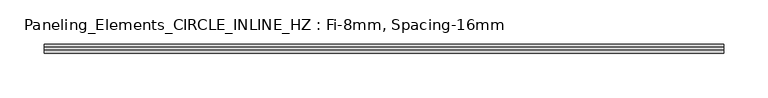
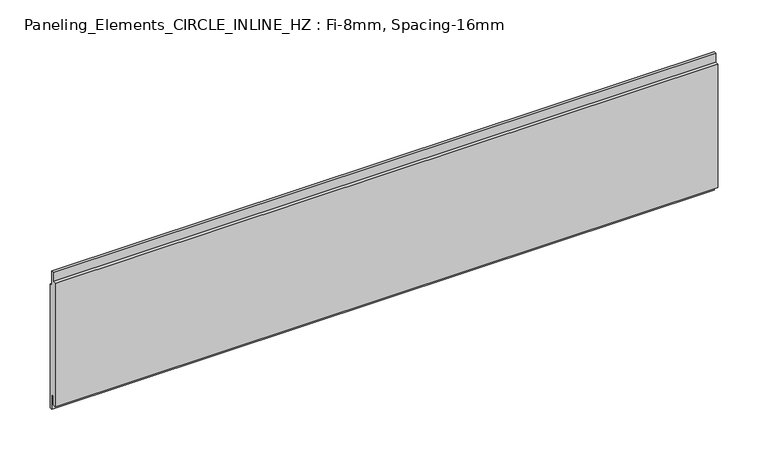
"""IFC4 building model written with IfcOpenShell, lengths in millimetres: plate geometry, Paneling_Elements_CIRCLE_INLINE_HZ : Fi-8mm, Spacing-16mm."""

import ifcopenshell
import ifcopenshell.guid

model = None  # the IFC model being written
_history = None  # IfcOwnerHistory: only IFC2X3 demands one
_inside = {}  # id of a spatial element -> (the spatial element, [elements in it])
_under = {}  # id of a project, library or spatial element -> (it, [spatial elements below it])
_declared = {}  # id of a project -> (the project, [libraries it declares])
_typed = {}  # id of a type object -> (the type object, [elements of that type])
_made_of = {}  # id of a material, layer set ... -> (it, [elements and type objects made of it])


def new_model(schema):
    """Start an empty IFC model of exactly this schema.

    Asked for "IFC4X3", IfcOpenShell would pick the latest addendum, in which some entities
    have other attributes; the version numbers below select the first issue.
    IFC2X3 requires an IfcOwnerHistory on every rooted entity: one is made here for all.
    """
    global model, _history
    if schema == "IFC4X3":
        model = ifcopenshell.file(schema_version=(4, 3, 0, 0))
    else:
        model = ifcopenshell.file(schema=schema)
    _inside.clear()
    _under.clear()
    _declared.clear()
    _typed.clear()
    _made_of.clear()
    _history = None
    if model.schema == "IFC2X3":
        org = make("IfcOrganization", Name="unknown")
        user = make(
            "IfcPersonAndOrganization",
            ThePerson=make("IfcPerson", FamilyName="unknown"),
            TheOrganization=org,
        )
        app = make(
            "IfcApplication",
            ApplicationDeveloper=org,
            Version="unknown",
            ApplicationFullName="unknown",
            ApplicationIdentifier="unknown",
        )
        _history = make(
            "IfcOwnerHistory",
            OwningUser=user,
            OwningApplication=app,
            ChangeAction="ADDED",
            CreationDate=0,
        )
    return model


def make(cls, **values):
    """One entity of the class cls with the attributes given. An attribute that is None is left unset."""
    return model.create_entity(
        cls, **{name: value for name, value in values.items() if value is not None}
    )


def rooted(cls, **values):
    """An entity with a GlobalId (a new one), such as an element, a storey or a relation."""
    return make(cls, GlobalId=ifcopenshell.guid.new(), OwnerHistory=_history, **values)


def si_unit(unit_type, name, prefix=None):
    """IfcSIUnit, for example si_unit("LENGTHUNIT", "METRE", prefix="MILLI")."""
    return make("IfcSIUnit", UnitType=unit_type, Prefix=prefix, Name=name)


def assignment(units):
    """IfcUnitAssignment: the units of a project."""
    return None if units is None else make("IfcUnitAssignment", Units=units)


def point(xyz):
    """IfcCartesianPoint."""
    return None if xyz is None else make("IfcCartesianPoint", Coordinates=xyz)


def direction(xyz):
    """IfcDirection."""
    return None if xyz is None else make("IfcDirection", DirectionRatios=xyz)


def frame(location, z_axis=None, x_axis=None):
    """IfcAxis2Placement3D, a coordinate frame: its origin and axes. An axis left out is left unset."""
    return make(
        "IfcAxis2Placement3D",
        Location=point(location),
        Axis=direction(z_axis),
        RefDirection=direction(x_axis),
    )


def origin():
    """The frame at (0, 0, 0) with its axes left unset."""
    return frame((0.0, 0.0, 0.0))


def place(relative_to, where):
    """IfcLocalPlacement: puts the frame where relative to a parent placement (None: the world)."""
    return make(
        "IfcLocalPlacement", PlacementRelTo=relative_to, RelativePlacement=where
    )


def context(
    kind, dimensions, precision=None, world=None, true_north=None, identifier=None
):
    """IfcGeometricRepresentationContext, for example the 3D "Model" context."""
    return make(
        "IfcGeometricRepresentationContext",
        ContextIdentifier=identifier,
        ContextType=kind,
        CoordinateSpaceDimension=dimensions,
        Precision=precision,
        WorldCoordinateSystem=world,
        TrueNorth=true_north,
    )


def project(units=None, contexts=None):
    """IfcProject with its units and contexts."""
    return rooted(
        "IfcProject",
        Name="project",
        RepresentationContexts=contexts,
        UnitsInContext=assignment(units),
    )


def spatial(cls, under=None, at=None, **own):
    """A site, building, storey or space (cls), placed at a placement, below another one or the project."""
    s = rooted(cls, ObjectPlacement=at, **own)
    if under is not None:
        _under.setdefault(under.id(), (under, []))[1].append(s)
    return s


def polyline(points):
    """IfcPolyline through the points."""
    return make("IfcPolyline", Points=[point(p) for p in points])


def outline(outer, holes=None, kind="AREA"):
    """IfcArbitraryClosedProfileDef: a profile drawn as a closed curve; with holes, ...WithVoids."""
    if holes is None:
        return make("IfcArbitraryClosedProfileDef", ProfileType=kind, OuterCurve=outer)
    return make(
        "IfcArbitraryProfileDefWithVoids",
        ProfileType=kind,
        OuterCurve=outer,
        InnerCurves=holes,
    )


def extrude(swept, where, along, depth):
    """IfcExtrudedAreaSolid: the profile swept, set in the frame where, extruded along a direction by depth."""
    return make(
        "IfcExtrudedAreaSolid",
        SweptArea=swept,
        Position=where,
        ExtrudedDirection=direction(along),
        Depth=depth,
    )


def shape(context_of_items, identifier, shape_type, items):
    """IfcShapeRepresentation: the items that make up one representation, for example the "Body"."""
    return make(
        "IfcShapeRepresentation",
        ContextOfItems=context_of_items,
        RepresentationIdentifier=identifier,
        RepresentationType=shape_type,
        Items=items,
    )


def source(mapping_origin, context_of_items, identifier, shape_type, items):
    """IfcRepresentationMap: a shape defined once, which mapped items show again and again."""
    return make(
        "IfcRepresentationMap",
        MappingOrigin=mapping_origin,
        MappedRepresentation=shape(context_of_items, identifier, shape_type, items),
    )


def transform(
    local_origin,
    x_axis=None,
    y_axis=None,
    z_axis=None,
    scale=None,
    scale2=None,
    scale3=None,
    uniform=True,
):
    """IfcCartesianTransformationOperator3D, or its non-uniform kind. x_axis, y_axis, z_axis: its Axis1, 2, 3."""
    if uniform:
        return make(
            "IfcCartesianTransformationOperator3D",
            Axis1=direction(x_axis),
            Axis2=direction(y_axis),
            LocalOrigin=point(local_origin),
            Scale=scale,
            Axis3=direction(z_axis),
        )
    return make(
        "IfcCartesianTransformationOperator3DnonUniform",
        Axis1=direction(x_axis),
        Axis2=direction(y_axis),
        LocalOrigin=point(local_origin),
        Scale=scale,
        Axis3=direction(z_axis),
        Scale2=scale2,
        Scale3=scale3,
    )


def mapped(mapping_source, mapping_target):
    """IfcMappedItem: shows the shape of a source again, moved by a transform."""
    return make(
        "IfcMappedItem", MappingSource=mapping_source, MappingTarget=mapping_target
    )


def made_of(thing, what):
    """Note that an element or type object is made of a material, layer set ...; save() writes the relation."""
    if what is not None:
        _made_of.setdefault(what.id(), (what, []))[1].append(thing)
    return thing


def element(
    cls,
    number,
    at=None,
    inside=None,
    cuts=None,
    type_object=None,
    material=None,
    context=None,
    identifier="Body",
    shape_type=None,
    held_by="IfcProductDefinitionShape",
    body=None,
    shapes=None,
    **own,
):
    """One element of the class cls, such as IfcWall. Its Tag is "e" and its number.

    at: its placement. inside: the storey or other place that contains it. cuts: it is an
    opening in that element (IfcRelVoidsElement). A single representation is given by context,
    identifier, shape_type and body (its items); several are given by shapes. held_by: the class
    of the entity that holds the representations. save() writes the other relations.
    """
    e = rooted(cls, Tag="e%d" % number, ObjectPlacement=at, **own)
    if body is not None:
        shapes = [shape(context, identifier, shape_type, body)]
    if shapes is not None:
        e.Representation = make(held_by, Representations=shapes)
    if inside is not None:
        _inside.setdefault(inside.id(), (inside, []))[1].append(e)
    if cuts is not None:
        rooted(
            "IfcRelVoidsElement", RelatingBuildingElement=cuts, RelatedOpeningElement=e
        )
    if type_object is not None:
        _typed.setdefault(type_object.id(), (type_object, []))[1].append(e)
    return made_of(e, material)


def aggregate(whole, parts):
    """IfcRelAggregates: a whole, such as a stair, and the parts it consists of."""
    return rooted("IfcRelAggregates", RelatingObject=whole, RelatedObjects=parts)


def save(model, path):
    """Write the relations noted so far, then the file.

    IfcRelAggregates (storeys below a building ...), IfcRelContainedInSpatialStructure (elements
    in a storey), IfcRelDefinesByType, IfcRelAssociatesMaterial and IfcRelDeclares: one each for
    every whole, place, type object, material and project.
    """
    for whole, parts in _under.values():
        aggregate(whole, parts)
    for where, things in _inside.values():
        rooted(
            "IfcRelContainedInSpatialStructure",
            RelatedElements=things,
            RelatingStructure=where,
        )
    for kind, things in _typed.values():
        rooted("IfcRelDefinesByType", RelatedObjects=things, RelatingType=kind)
    for what, things in _made_of.values():
        rooted("IfcRelAssociatesMaterial", RelatedObjects=things, RelatingMaterial=what)
    for by, libraries in _declared.values():
        rooted("IfcRelDeclares", RelatingContext=by, RelatedDefinitions=libraries)
    model.write(path)


def paneling_elements_circle_inline_hz_fi_8mm_spacing_16mm_de6e1450(model_context):
    return source(origin(), model_context, "Body", "SweptSolid", [
        extrude(outline(polyline([(-1.0, 162.0), (2.0, 162.0), (2.0, 144.0), (5.0, 144.0), (5.0, -7.0), (2.0, -7.0), (2.0, 11.0), (-1.0, 11.0), (-1.0, 0.0), (-5.0, 0.0), (-5.0, 151.0), (-1.0, 151.0), (-1.0, 162.0)])), frame((-382.25, 0.0, 0.0), z_axis=(1.0, 0.0, 0.0), x_axis=(0.0, 1.0, 0.0)), (0.0, 0.0, 1.0), 764.5),
    ])


if __name__ == "__main__":
    model = new_model("IFC4")
    model_context = context("Model", 3, world=origin())
    ifc_project = project(units=[si_unit("LENGTHUNIT", "METRE", prefix="MILLI")], contexts=[model_context])
    site = spatial("IfcSite", under=ifc_project)
    building = spatial("IfcBuilding", under=site)
    placement = place(None, origin())
    paneling_elements_circle_inline_hz_fi_8mm_spacing_16mm_shape = paneling_elements_circle_inline_hz_fi_8mm_spacing_16mm_de6e1450(model_context)
    element("IfcPlate", 1, ObjectType="Paneling_Elements_CIRCLE_INLINE_HZ : Fi-8mm, Spacing-16mm", at=placement, inside=building, context=model_context, shape_type="MappedRepresentation", body=[
        mapped(paneling_elements_circle_inline_hz_fi_8mm_spacing_16mm_shape, transform((0.0, 0.0, 0.0), x_axis=(1.0, 0.0, 0.0), y_axis=(0.0, 1.0, 0.0), z_axis=(0.0, 0.0, 1.0))),
    ])
    save(model, "model.ifc")
